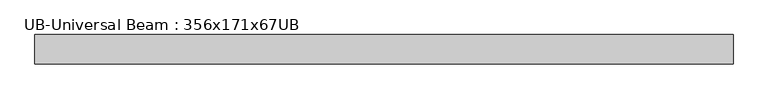
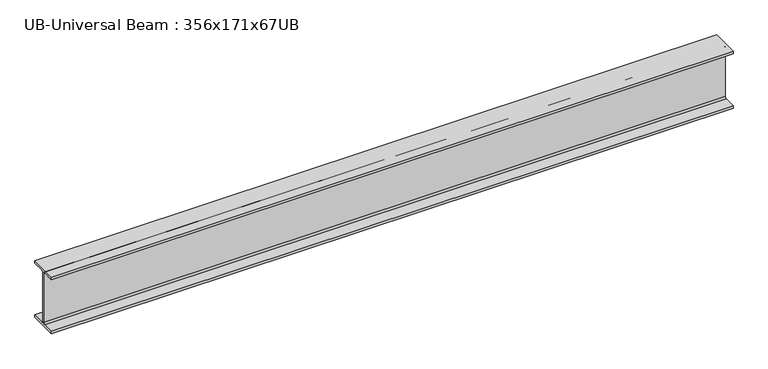
"""IFC4 building model written with IfcOpenShell, lengths in millimetres: beam geometry, UB-Universal Beam : 356x171x67UB."""

from ifc_helpers import new_model, si_unit, point, frame, frame_2d, origin, place, context, project, spatial, polyline, circle_curve, trimmed, segment, composite_curve, outline, extrude, source, transform, mapped, element, save


def ub_universal_beam_356x171x67ub_f0fbd3c3(model_context):
    return source(origin(), model_context, "Body", "SweptSolid", [
        extrude(outline(composite_curve([segment(polyline([(86.6, -166.0), (86.6, -181.7), (-86.6, -181.7), (-86.6, -166.0), (-14.75, -166.0)]), True, "CONTINUOUS"), segment(trimmed(circle_curve(frame_2d((-14.75, -155.8)), 10.2), [point((-14.75, -166.0))], [point((-4.55, -155.8))], True, "CARTESIAN"), True, "CONTINUOUS"), segment(polyline([(-4.55, -155.8), (-4.55, 155.8)]), True, "CONTINUOUS"), segment(trimmed(circle_curve(frame_2d((-14.75, 155.8)), 10.2), [point((-4.55, 155.8))], [point((-14.75, 166.0))], True, "CARTESIAN"), True, "CONTINUOUS"), segment(polyline([(-14.75, 166.0), (-86.6, 166.0), (-86.6, 181.7), (86.6, 181.7), (86.6, 166.0), (14.75, 166.0)]), True, "CONTINUOUS"), segment(trimmed(circle_curve(frame_2d((14.75, 155.8)), 10.2), [point((14.75, 166.0))], [point((4.55, 155.8))], True, "CARTESIAN"), True, "CONTINUOUS"), segment(polyline([(4.55, 155.8), (4.55, -155.8)]), True, "CONTINUOUS"), segment(trimmed(circle_curve(frame_2d((14.75, -155.8)), 10.2), [point((4.55, -155.8))], [point((14.75, -166.0))], True, "CARTESIAN"), True, "CONTINUOUS"), segment(polyline([(14.75, -166.0), (86.6, -166.0)]), True, "CONTINUOUS")], self_intersect=False)), frame((-2063.4606554, 0.0, 0.0), z_axis=(1.0, 0.0, 0.0), x_axis=(0.0, 1.0, 0.0)), (0.0, 0.0, 1.0), 4126.9213108),
    ])


if __name__ == "__main__":
    model = new_model("IFC4")
    model_context = context("Model", 3, world=origin())
    ifc_project = project(units=[si_unit("LENGTHUNIT", "METRE", prefix="MILLI")], contexts=[model_context])
    site = spatial("IfcSite", under=ifc_project)
    building = spatial("IfcBuilding", under=site)
    placement = place(None, origin())
    ub_universal_beam_356x171x67ub_shape = ub_universal_beam_356x171x67ub_f0fbd3c3(model_context)
    element("IfcBeam", 1, ObjectType="UB-Universal Beam : 356x171x67UB", at=placement, inside=building, context=model_context, shape_type="MappedRepresentation", body=[
        mapped(ub_universal_beam_356x171x67ub_shape, transform((0.0, 0.0, 0.0), x_axis=(1.0, 0.0, 0.0), y_axis=(0.0, 1.0, 0.0), z_axis=(0.0, 0.0, 1.0))),
    ])
    save(model, "model.ifc")
